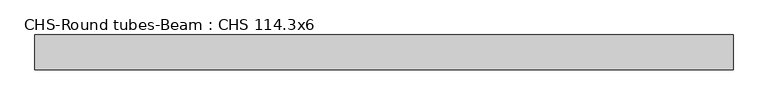
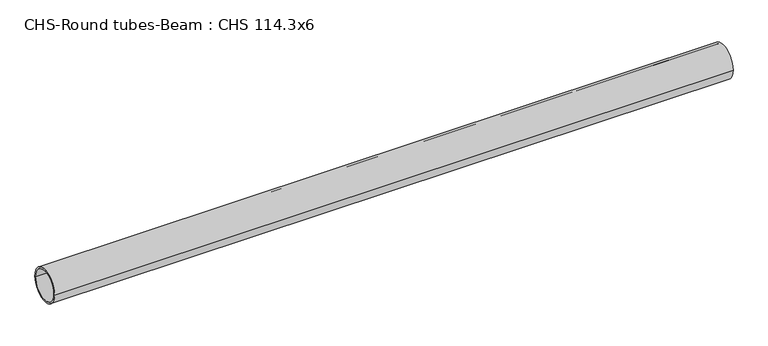
"""IFC4 building model written with IfcOpenShell, lengths in millimetres: beam geometry, CHS-Round tubes-Beam : CHS 114.3x6."""

from ifc_helpers import new_model, si_unit, point, frame, origin, origin_2d, place, context, project, spatial, circle_curve, trimmed, segment, composite_curve, outline, extrude, source, transform, mapped, element, save


def chs_round_tubes_beam_chs_114_3x6_6e8c4ef8(model_context):
    return source(origin(), model_context, "Body", "SweptSolid", [
        extrude(outline(composite_curve([segment(trimmed(circle_curve(origin_2d(), 57.15), [point((57.15, 0.0))], [point((-57.15, 0.0))], False, "CARTESIAN"), True, "CONTINUOUS"), segment(trimmed(circle_curve(origin_2d(), 57.15), [point((-57.15, 0.0))], [point((57.15, 0.0))], False, "CARTESIAN"), True, "CONTINUOUS")], self_intersect=False), holes=[composite_curve([segment(trimmed(circle_curve(origin_2d(), 51.15), [point((51.15, 0.0))], [point((-51.15, 0.0))], True, "CARTESIAN"), True, "CONTINUOUS"), segment(trimmed(circle_curve(origin_2d(), 51.15), [point((-51.15, 0.0))], [point((51.15, 0.0))], True, "CARTESIAN"), True, "CONTINUOUS")], self_intersect=False)]), frame((-1104.4471455, 0.0, 0.0), z_axis=(1.0, 0.0, 0.0), x_axis=(0.0, 1.0, 0.0)), (0.0, 0.0, 1.0), 2295.6783257),
    ])


if __name__ == "__main__":
    model = new_model("IFC4")
    model_context = context("Model", 3, world=origin())
    ifc_project = project(units=[si_unit("LENGTHUNIT", "METRE", prefix="MILLI")], contexts=[model_context])
    site = spatial("IfcSite", under=ifc_project)
    building = spatial("IfcBuilding", under=site)
    placement = place(None, origin())
    chs_round_tubes_beam_chs_114_3x6_shape = chs_round_tubes_beam_chs_114_3x6_6e8c4ef8(model_context)
    element("IfcBeam", 1, ObjectType="CHS-Round tubes-Beam : CHS 114.3x6", at=placement, inside=building, context=model_context, shape_type="MappedRepresentation", body=[
        mapped(chs_round_tubes_beam_chs_114_3x6_shape, transform((0.0, 0.0, 0.0), x_axis=(1.0, 0.0, 0.0), y_axis=(0.0, 1.0, 0.0), z_axis=(0.0, 0.0, 1.0))),
    ])
    save(model, "model.ifc")
